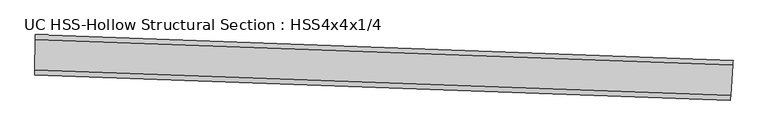
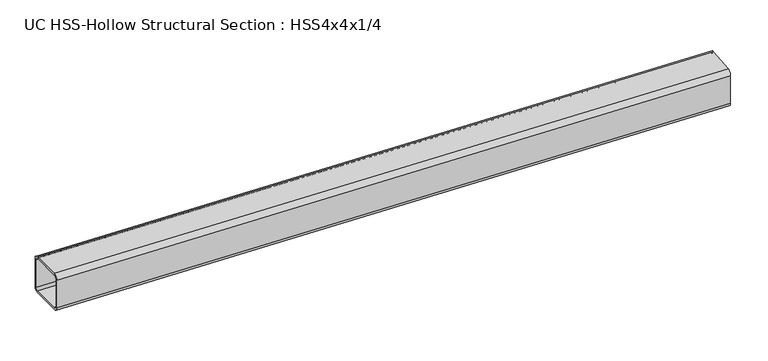
"""IFC4 building model written with IfcOpenShell, lengths in millimetres: beam geometry, UC HSS-Hollow Structural Section : HSS4x4x1/4."""

from ifc_helpers import new_model, si_unit, point, frame, origin, place, context, project, spatial, polyline, circle_curve, ellipse_curve, trimmed, source, transform, mapped, element, save
from ifc_brep_helpers import plane_surface, cylinder_surface, revolved_surface, advanced_brep


def uc_hss_hollow_structural_section_hss4x4x1_4_ad89921f(model_context):
    return source(origin(), model_context, "Body", "AdvancedBrep", [
        advanced_brep(
        [(1847.8380349, -14.3411411, 38.9636), (1847.0045424, -26.1481583, 50.8), (1841.5170852, -103.8819111, 50.8), (1840.6835927, -115.6889283, 38.9636), (1840.6835927, -115.6889283, -38.9636), (1841.5170852, -103.8819111, -50.8), (1847.0045424, -26.1481583, -50.8), (1847.8380349, -14.3411411, -38.9636), (1841.5170852, -103.8819111, 44.8818), (1847.0045424, -26.1481583, 44.8818), (1847.4212887, -20.2446497, 38.9636), (1847.4212887, -20.2446497, -38.9636), (1847.0045424, -26.1481583, -44.8818), (1841.5170852, -103.8819111, -44.8818), (1841.100339, -109.7854197, -38.9636), (1841.100339, -109.7854197, 38.9636), (79.1951311, 50.680495, 38.9636), (79.1951311, 50.680495, -38.9636), (79.159409, 38.8441489, -50.8), (78.9242261, -39.0826962, -50.8), (78.8885041, -50.9190423, -38.9636), (78.8885041, -50.9190423, 38.9636), (78.9242261, -39.0826962, 50.8), (79.159409, 38.8441489, 50.8), (78.9242261, -39.0826962, 44.8818), (78.9063651, -45.0008693, 38.9636), (78.9063651, -45.0008693, -38.9636), (78.9242261, -39.0826962, -44.8818), (79.159409, 38.8441489, -44.8818), (79.1772701, 44.7623219, -38.9636), (79.1772701, 44.7623219, 38.9636), (79.159409, 38.8441489, 44.8818)],
        [
            (0, 1, circle_curve(frame((1847.0045424, -26.1481583, 38.9636), z_axis=(0.9975175898845683, -0.070417738325526, 0.0), x_axis=(-0.070417738325526, -0.9975175898845683, 0.0)), 11.8364)),
            (1, 2),
            (2, 3, circle_curve(frame((1841.5170852, -103.8819111, 38.9636), z_axis=(0.9975175898845683, -0.070417738325526, 0.0), x_axis=(-0.070417738325526, -0.9975175898845683, 0.0)), 11.8364)),
            (3, 4),
            (4, 5, circle_curve(frame((1841.5170852, -103.8819111, -38.9636), z_axis=(0.9975175898845683, -0.070417738325526, 0.0), x_axis=(-0.070417738325526, -0.9975175898845683, 0.0)), 11.8364)),
            (5, 6),
            (6, 7, circle_curve(frame((1847.0045424, -26.1481583, -38.9636), z_axis=(0.9975175898845683, -0.070417738325526, 0.0), x_axis=(-0.070417738325526, -0.9975175898845683, 0.0)), 11.8364)),
            (7, 0),
            (8, 9),
            (9, 10, circle_curve(frame((1847.0045424, -26.1481583, 38.9636), z_axis=(-0.9975175898845683, 0.070417738325526, 0.0), x_axis=(-0.070417738325526, -0.9975175898845683, 0.0)), 5.9182)),
            (10, 11),
            (11, 12, circle_curve(frame((1847.0045424, -26.1481583, -38.9636), z_axis=(-0.9975175898845683, 0.070417738325526, 0.0), x_axis=(-0.070417738325526, -0.9975175898845683, 0.0)), 5.9182)),
            (12, 13),
            (13, 14, circle_curve(frame((1841.5170852, -103.8819111, -38.9636), z_axis=(-0.9975175898845683, 0.070417738325526, 0.0), x_axis=(-0.070417738325526, -0.9975175898845683, 0.0)), 5.9182)),
            (14, 15),
            (15, 8, circle_curve(frame((1841.5170852, -103.8819111, 38.9636), z_axis=(-0.9975175898845683, 0.070417738325526, 0.0), x_axis=(-0.070417738325526, -0.9975175898845683, 0.0)), 5.9182)),
            (16, 17),
            (17, 18, circle_curve(frame((79.159409, 38.8441489, -38.9636), z_axis=(-0.9999954458818099, 0.003017982047698875, 0.0), x_axis=(-0.003017982047698875, -0.9999954458818099, 0.0)), 11.8364)),
            (18, 19),
            (19, 20, circle_curve(frame((78.9242261, -39.0826962, -38.9636), z_axis=(-0.9999954458818099, 0.003017982047698875, 0.0), x_axis=(-0.003017982047698875, -0.9999954458818099, 0.0)), 11.8364)),
            (20, 21),
            (21, 22, circle_curve(frame((78.9242261, -39.0826962, 38.9636), z_axis=(-0.9999954458818099, 0.003017982047698875, 0.0), x_axis=(-0.003017982047698875, -0.9999954458818099, 0.0)), 11.8364)),
            (22, 23),
            (23, 16, circle_curve(frame((79.159409, 38.8441489, 38.9636), z_axis=(-0.9999954458818099, 0.003017982047698875, 0.0), x_axis=(-0.003017982047698875, -0.9999954458818099, 0.0)), 11.8364)),
            (24, 25, circle_curve(frame((78.9242261, -39.0826962, 38.9636), z_axis=(0.9999954458818099, -0.003017982047698875, 0.0), x_axis=(-0.003017982047698875, -0.9999954458818099, 0.0)), 5.9182)),
            (25, 26),
            (26, 27, circle_curve(frame((78.9242261, -39.0826962, -38.9636), z_axis=(0.9999954458818099, -0.003017982047698875, 0.0), x_axis=(-0.003017982047698875, -0.9999954458818099, 0.0)), 5.9182)),
            (27, 28),
            (28, 29, circle_curve(frame((79.159409, 38.8441489, -38.9636), z_axis=(0.9999954458818099, -0.003017982047698875, 0.0), x_axis=(-0.003017982047698875, -0.9999954458818099, 0.0)), 5.9182)),
            (29, 30),
            (30, 31, circle_curve(frame((79.159409, 38.8441489, 38.9636), z_axis=(0.9999954458818099, -0.003017982047698875, 0.0), x_axis=(-0.003017982047698875, -0.9999954458818099, 0.0)), 5.9182)),
            (31, 24),
            (0, 16, circle_curve(frame((0.0, -26190.2875283, 38.9636), z_axis=(0.0, 0.0, 1.0), x_axis=(-0.33127345416597864, -0.9435347892711435, 0.0)), 26241.0875283)),
            (23, 1, circle_curve(frame((0.0, -26190.2875283, 50.8), z_axis=(0.0, 0.0, -1.0), x_axis=(-0.33127345416597864, -0.9435347892711435, 0.0)), 26229.2511283)),
            (22, 2, circle_curve(frame((0.0, -26190.2875283, 50.8), z_axis=(0.0, 0.0, -1.0), x_axis=(-0.33127345416597864, -0.9435347892711435, 0.0)), 26151.3239283)),
            (21, 3, circle_curve(frame((0.0, -26190.2875283, 38.9636), z_axis=(0.0, 0.0, -1.0), x_axis=(-0.33127345416597864, -0.9435347892711435, 0.0)), 26139.4875283)),
            (20, 4, circle_curve(frame((0.0, -26190.2875283, -38.9636), z_axis=(0.0, 0.0, -1.0), x_axis=(-0.33127345416597864, -0.9435347892711435, 0.0)), 26139.4875283)),
            (19, 5, circle_curve(frame((0.0, -26190.2875283, -50.8), z_axis=(0.0, 0.0, -1.0), x_axis=(-0.33127345416597864, -0.9435347892711435, 0.0)), 26151.3239283)),
            (18, 6, circle_curve(frame((0.0, -26190.2875283, -50.8), z_axis=(0.0, 0.0, -1.0), x_axis=(-0.33127345416597864, -0.9435347892711435, 0.0)), 26229.2511283)),
            (17, 7, circle_curve(frame((0.0, -26190.2875283, -38.9636), z_axis=(0.0, 0.0, -1.0), x_axis=(-0.33127345416597864, -0.9435347892711435, 0.0)), 26241.0875283)),
            (8, 24, circle_curve(frame((0.0, -26190.2875283, 44.8818), z_axis=(0.0, 0.0, 1.0), x_axis=(-0.33127345416597864, -0.9435347892711435, 0.0)), 26151.3239283)),
            (31, 9, circle_curve(frame((0.0, -26190.2875283, 44.8818), z_axis=(0.0, 0.0, -1.0), x_axis=(-0.33127345416597864, -0.9435347892711435, 0.0)), 26229.2511283)),
            (30, 10, circle_curve(frame((0.0, -26190.2875283, 38.9636), z_axis=(0.0, 0.0, -1.0), x_axis=(-0.33127345416597864, -0.9435347892711435, 0.0)), 26235.1693283)),
            (29, 11, circle_curve(frame((0.0, -26190.2875283, -38.9636), z_axis=(0.0, 0.0, -1.0), x_axis=(-0.33127345416597864, -0.9435347892711435, 0.0)), 26235.1693283)),
            (28, 12, circle_curve(frame((0.0, -26190.2875283, -44.8818), z_axis=(0.0, 0.0, -1.0), x_axis=(-0.33127345416597864, -0.9435347892711435, 0.0)), 26229.2511283)),
            (27, 13, circle_curve(frame((0.0, -26190.2875283, -44.8818), z_axis=(0.0, 0.0, -1.0), x_axis=(-0.33127345416597864, -0.9435347892711435, 0.0)), 26151.3239283)),
            (26, 14, circle_curve(frame((0.0, -26190.2875283, -38.9636), z_axis=(0.0, 0.0, -1.0), x_axis=(-0.33127345416597864, -0.9435347892711435, 0.0)), 26145.4057283)),
            (25, 15, circle_curve(frame((0.0, -26190.2875283, 38.9636), z_axis=(0.0, 0.0, -1.0), x_axis=(-0.33127345416597864, -0.9435347892711435, 0.0)), 26145.4057283)),
        ],
        [
            plane_surface(frame((1844.2608138, -65.0150347, 0.0), z_axis=(0.9975175898845678, -0.07041773832553244, 0.0), x_axis=(0.0, 0.0, 1.0))),
            plane_surface(frame((79.0418176, -0.1192737, 0.0), z_axis=(-0.9999954458818099, 0.0030179820477053703, 0.0), x_axis=(0.0, 0.0, 1.0))),
            revolved_surface(trimmed(ellipse_curve(frame((-8689.0546215, -50938.4984643, 38.9636), z_axis=(0.9435347892711456, -0.3312734541659726, 0.0), x_axis=(0.3312734541659726, 0.9435347892711456, 0.0)), 11.8364, 11.8364), [point((-8689.0546215, -50938.4984643, 50.8))], [point((-8692.9757066, -50949.6665195, 38.9636))], True, "CARTESIAN"), (0.0, -26190.2875283, 0.0), (0.0, 0.0, -1.0)),
            plane_surface(frame((0.0, -26190.2875283, 50.8), z_axis=(0.0, 0.0, 1.0), x_axis=(-0.33127345416597864, -0.9435347892711435, 0.0))),
            revolved_surface(trimmed(ellipse_curve(frame((-8663.2394087, -50864.9714401, 38.9636), z_axis=(0.9435347892711456, -0.3312734541659726, 0.0), x_axis=(0.3312734541659726, 0.9435347892711456, 0.0)), 11.8364, 11.8364), [point((-8659.3183236, -50853.8033849, 38.9636))], [point((-8663.2394087, -50864.9714401, 50.8))], True, "CARTESIAN"), (0.0, -26190.2875283, 0.0), (0.0, 0.0, -1.0)),
            revolved_surface(polyline([(-8659.31832362846, -50853.803384970226, -38.9636), (-8659.31832362846, -50853.803384970226, 38.9636)]), (0.0, -26190.2875283, 0.0), (0.0, 0.0, -1.0)),
            revolved_surface(trimmed(ellipse_curve(frame((-8663.2394087, -50864.9714401, -38.9636), z_axis=(0.9435347892711456, -0.3312734541659726, 0.0), x_axis=(0.3312734541659726, 0.9435347892711456, 0.0)), 11.8364, 11.8364), [point((-8663.2394087, -50864.9714401, -50.8))], [point((-8659.3183236, -50853.8033849, -38.9636))], True, "CARTESIAN"), (0.0, -26190.2875283, 0.0), (0.0, 0.0, -1.0)),
            plane_surface(frame((0.0, -26190.2875283, -50.8), z_axis=(0.0, 0.0, -1.0), x_axis=(-0.33127345416597864, -0.9435347892711435, 0.0))),
            revolved_surface(trimmed(ellipse_curve(frame((-8689.0546215, -50938.4984643, -38.9636), z_axis=(0.9435347892711456, -0.3312734541659726, 0.0), x_axis=(0.3312734541659726, 0.9435347892711456, 0.0)), 11.8364, 11.8364), [point((-8692.9757066, -50949.6665195, -38.9636))], [point((-8689.0546215, -50938.4984643, -50.8))], True, "CARTESIAN"), (0.0, -26190.2875283, 0.0), (0.0, 0.0, -1.0)),
            cylinder_surface(frame((0.0, -26190.2875283, 0.0), z_axis=(0.0, 0.0, -1.0), x_axis=(-0.33127345416597864, -0.9435347892711435, 0.0)), 26241.0875283),
            plane_surface(frame((0.0, -26190.2875283, 44.8818), z_axis=(0.0, 0.0, -1.0), x_axis=(-0.33127345416597864, -0.9435347892711435, 0.0))),
            revolved_surface(trimmed(ellipse_curve(frame((-8689.0546215, -50938.4984643, 38.9636), z_axis=(-0.9435347892711456, 0.3312734541659726, 0.0), x_axis=(0.3312734541659726, 0.9435347892711456, 0.0)), 5.9182, 5.9182), [point((-8691.015164, -50944.0824919, 38.9636))], [point((-8689.0546215, -50938.4984643, 44.8818))], True, "CARTESIAN"), (0.0, -26190.2875283, 0.0), (0.0, 0.0, -1.0)),
            revolved_surface(polyline([(-8691.015164015278, -50944.08249197031, -38.9636), (-8691.015164015278, -50944.08249197031, 38.9636)]), (0.0, -26190.2875283, 0.0), (0.0, 0.0, -1.0)),
            revolved_surface(trimmed(ellipse_curve(frame((-8689.0546215, -50938.4984643, -38.9636), z_axis=(-0.9435347892711456, 0.3312734541659726, 0.0), x_axis=(0.3312734541659726, 0.9435347892711456, 0.0)), 5.9182, 5.9182), [point((-8689.0546215, -50938.4984643, -44.8818))], [point((-8691.015164, -50944.0824919, -38.9636))], True, "CARTESIAN"), (0.0, -26190.2875283, 0.0), (0.0, 0.0, -1.0)),
            plane_surface(frame((0.0, -26190.2875283, -44.8818), z_axis=(0.0, 0.0, 1.0), x_axis=(-0.33127345416597864, -0.9435347892711435, 0.0))),
            revolved_surface(trimmed(ellipse_curve(frame((-8663.2394087, -50864.9714401, -38.9636), z_axis=(-0.9435347892711456, 0.3312734541659726, 0.0), x_axis=(0.3312734541659726, 0.9435347892711456, 0.0)), 5.9182, 5.9182), [point((-8661.2788662, -50859.3874125, -38.9636))], [point((-8663.2394087, -50864.9714401, -44.8818))], True, "CARTESIAN"), (0.0, -26190.2875283, 0.0), (0.0, 0.0, -1.0)),
            cylinder_surface(frame((0.0, -26190.2875283, 0.0), z_axis=(0.0, 0.0, -1.0), x_axis=(-0.33127345416597864, -0.9435347892711435, 0.0)), 26145.4057283),
            revolved_surface(trimmed(ellipse_curve(frame((-8663.2394087, -50864.9714401, 38.9636), z_axis=(-0.9435347892711456, 0.3312734541659726, 0.0), x_axis=(0.3312734541659726, 0.9435347892711456, 0.0)), 5.9182, 5.9182), [point((-8663.2394087, -50864.9714401, 44.8818))], [point((-8661.2788662, -50859.3874125, 38.9636))], True, "CARTESIAN"), (0.0, -26190.2875283, 0.0), (0.0, 0.0, -1.0)),
        ],
        [
            (0, [[1, 2, 3, 4, 5, 6, 7, 8], [9, 10, 11, 12, 13, 14, 15, 16]]),
            (1, [[17, 18, 19, 20, 21, 22, 23, 24], [25, 26, 27, 28, 29, 30, 31, 32]]),
            (2, [[-1, 33, -24, 34]]),
            (3, [[-2, -34, -23, 35]]),
            (4, [[-3, -35, -22, 36]]),
            (5, [[-4, -36, -21, 37]]),
            (6, [[-5, -37, -20, 38]]),
            (7, [[-6, -38, -19, 39]]),
            (8, [[-7, -39, -18, 40]]),
            (9, [[-8, -40, -17, -33]]),
            (10, [[-9, 41, -32, 42]]),
            (11, [[-10, -42, -31, 43]]),
            (12, [[-11, -43, -30, 44]]),
            (13, [[-12, -44, -29, 45]]),
            (14, [[-13, -45, -28, 46]]),
            (15, [[-14, -46, -27, 47]]),
            (16, [[-15, -47, -26, 48]]),
            (17, [[-16, -48, -25, -41]]),
        ],
    ),
    ])


if __name__ == "__main__":
    model = new_model("IFC4")
    model_context = context("Model", 3, world=origin())
    ifc_project = project(units=[si_unit("LENGTHUNIT", "METRE", prefix="MILLI")], contexts=[model_context])
    site = spatial("IfcSite", under=ifc_project)
    building = spatial("IfcBuilding", under=site)
    placement = place(None, origin())
    uc_hss_hollow_structural_section_hss4x4x1_4_shape = uc_hss_hollow_structural_section_hss4x4x1_4_ad89921f(model_context)
    element("IfcBeam", 1, ObjectType="UC HSS-Hollow Structural Section : HSS4x4x1/4", at=placement, inside=building, context=model_context, shape_type="MappedRepresentation", body=[
        mapped(uc_hss_hollow_structural_section_hss4x4x1_4_shape, transform((0.0, 0.0, 0.0), x_axis=(1.0, 0.0, 0.0), y_axis=(0.0, 1.0, 0.0), z_axis=(0.0, 0.0, 1.0))),
    ])
    save(model, "model.ifc")
